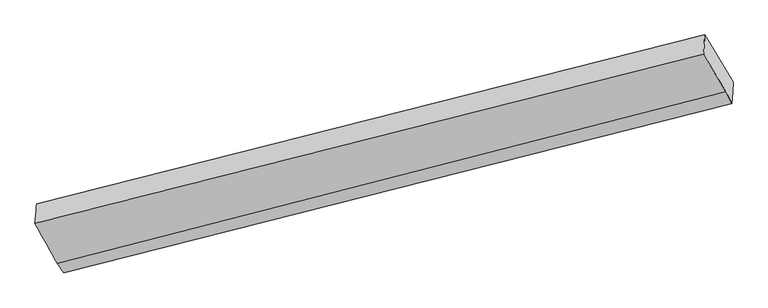
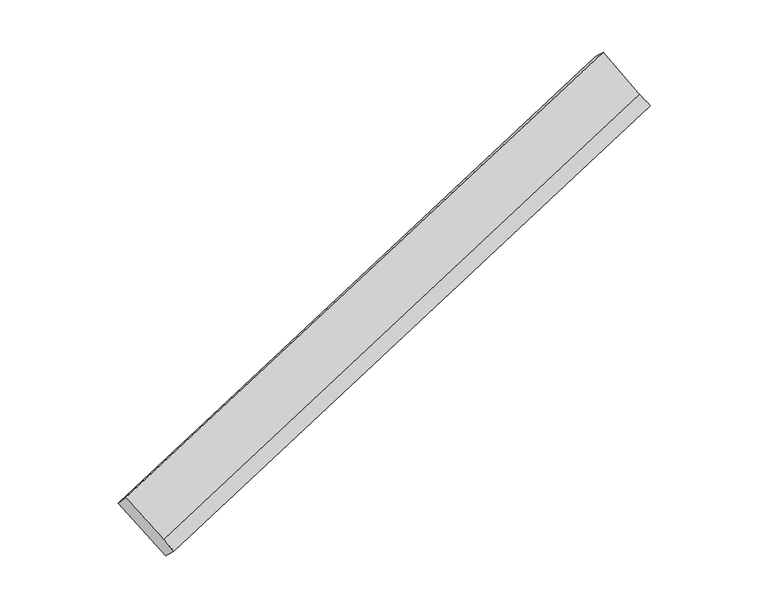
"""IFC4 building model written with IfcOpenShell, lengths in millimetres: proxy geometry."""

import ifcopenshell
import ifcopenshell.guid

model = None  # the IFC model being written
_history = None  # IfcOwnerHistory: only IFC2X3 demands one
_inside = {}  # id of a spatial element -> (the spatial element, [elements in it])
_under = {}  # id of a project, library or spatial element -> (it, [spatial elements below it])
_declared = {}  # id of a project -> (the project, [libraries it declares])
_typed = {}  # id of a type object -> (the type object, [elements of that type])
_made_of = {}  # id of a material, layer set ... -> (it, [elements and type objects made of it])


def new_model(schema):
    """Start an empty IFC model of exactly this schema.

    Asked for "IFC4X3", IfcOpenShell would pick the latest addendum, in which some entities
    have other attributes; the version numbers below select the first issue.
    IFC2X3 requires an IfcOwnerHistory on every rooted entity: one is made here for all.
    """
    global model, _history
    if schema == "IFC4X3":
        model = ifcopenshell.file(schema_version=(4, 3, 0, 0))
    else:
        model = ifcopenshell.file(schema=schema)
    _inside.clear()
    _under.clear()
    _declared.clear()
    _typed.clear()
    _made_of.clear()
    _history = None
    if model.schema == "IFC2X3":
        org = make("IfcOrganization", Name="unknown")
        user = make(
            "IfcPersonAndOrganization",
            ThePerson=make("IfcPerson", FamilyName="unknown"),
            TheOrganization=org,
        )
        app = make(
            "IfcApplication",
            ApplicationDeveloper=org,
            Version="unknown",
            ApplicationFullName="unknown",
            ApplicationIdentifier="unknown",
        )
        _history = make(
            "IfcOwnerHistory",
            OwningUser=user,
            OwningApplication=app,
            ChangeAction="ADDED",
            CreationDate=0,
        )
    return model


def make(cls, **values):
    """One entity of the class cls with the attributes given. An attribute that is None is left unset."""
    return model.create_entity(
        cls, **{name: value for name, value in values.items() if value is not None}
    )


def rooted(cls, **values):
    """An entity with a GlobalId (a new one), such as an element, a storey or a relation."""
    return make(cls, GlobalId=ifcopenshell.guid.new(), OwnerHistory=_history, **values)


def si_unit(unit_type, name, prefix=None):
    """IfcSIUnit, for example si_unit("LENGTHUNIT", "METRE", prefix="MILLI")."""
    return make("IfcSIUnit", UnitType=unit_type, Prefix=prefix, Name=name)


def assignment(units):
    """IfcUnitAssignment: the units of a project."""
    return None if units is None else make("IfcUnitAssignment", Units=units)


def point(xyz):
    """IfcCartesianPoint."""
    return None if xyz is None else make("IfcCartesianPoint", Coordinates=xyz)


def direction(xyz):
    """IfcDirection."""
    return None if xyz is None else make("IfcDirection", DirectionRatios=xyz)


def frame(location, z_axis=None, x_axis=None):
    """IfcAxis2Placement3D, a coordinate frame: its origin and axes. An axis left out is left unset."""
    return make(
        "IfcAxis2Placement3D",
        Location=point(location),
        Axis=direction(z_axis),
        RefDirection=direction(x_axis),
    )


def origin():
    """The frame at (0, 0, 0) with its axes left unset."""
    return frame((0.0, 0.0, 0.0))


def place(relative_to, where):
    """IfcLocalPlacement: puts the frame where relative to a parent placement (None: the world)."""
    return make(
        "IfcLocalPlacement", PlacementRelTo=relative_to, RelativePlacement=where
    )


def context(
    kind, dimensions, precision=None, world=None, true_north=None, identifier=None
):
    """IfcGeometricRepresentationContext, for example the 3D "Model" context."""
    return make(
        "IfcGeometricRepresentationContext",
        ContextIdentifier=identifier,
        ContextType=kind,
        CoordinateSpaceDimension=dimensions,
        Precision=precision,
        WorldCoordinateSystem=world,
        TrueNorth=true_north,
    )


def project(units=None, contexts=None):
    """IfcProject with its units and contexts."""
    return rooted(
        "IfcProject",
        Name="project",
        RepresentationContexts=contexts,
        UnitsInContext=assignment(units),
    )


def spatial(cls, under=None, at=None, **own):
    """A site, building, storey or space (cls), placed at a placement, below another one or the project."""
    s = rooted(cls, ObjectPlacement=at, **own)
    if under is not None:
        _under.setdefault(under.id(), (under, []))[1].append(s)
    return s


def shape(context_of_items, identifier, shape_type, items):
    """IfcShapeRepresentation: the items that make up one representation, for example the "Body"."""
    return make(
        "IfcShapeRepresentation",
        ContextOfItems=context_of_items,
        RepresentationIdentifier=identifier,
        RepresentationType=shape_type,
        Items=items,
    )


def source(mapping_origin, context_of_items, identifier, shape_type, items):
    """IfcRepresentationMap: a shape defined once, which mapped items show again and again."""
    return make(
        "IfcRepresentationMap",
        MappingOrigin=mapping_origin,
        MappedRepresentation=shape(context_of_items, identifier, shape_type, items),
    )


def transform(
    local_origin,
    x_axis=None,
    y_axis=None,
    z_axis=None,
    scale=None,
    scale2=None,
    scale3=None,
    uniform=True,
):
    """IfcCartesianTransformationOperator3D, or its non-uniform kind. x_axis, y_axis, z_axis: its Axis1, 2, 3."""
    if uniform:
        return make(
            "IfcCartesianTransformationOperator3D",
            Axis1=direction(x_axis),
            Axis2=direction(y_axis),
            LocalOrigin=point(local_origin),
            Scale=scale,
            Axis3=direction(z_axis),
        )
    return make(
        "IfcCartesianTransformationOperator3DnonUniform",
        Axis1=direction(x_axis),
        Axis2=direction(y_axis),
        LocalOrigin=point(local_origin),
        Scale=scale,
        Axis3=direction(z_axis),
        Scale2=scale2,
        Scale3=scale3,
    )


def mapped(mapping_source, mapping_target):
    """IfcMappedItem: shows the shape of a source again, moved by a transform."""
    return make(
        "IfcMappedItem", MappingSource=mapping_source, MappingTarget=mapping_target
    )


def made_of(thing, what):
    """Note that an element or type object is made of a material, layer set ...; save() writes the relation."""
    if what is not None:
        _made_of.setdefault(what.id(), (what, []))[1].append(thing)
    return thing


def element(
    cls,
    number,
    at=None,
    inside=None,
    cuts=None,
    type_object=None,
    material=None,
    context=None,
    identifier="Body",
    shape_type=None,
    held_by="IfcProductDefinitionShape",
    body=None,
    shapes=None,
    **own,
):
    """One element of the class cls, such as IfcWall. Its Tag is "e" and its number.

    at: its placement. inside: the storey or other place that contains it. cuts: it is an
    opening in that element (IfcRelVoidsElement). A single representation is given by context,
    identifier, shape_type and body (its items); several are given by shapes. held_by: the class
    of the entity that holds the representations. save() writes the other relations.
    """
    e = rooted(cls, Tag="e%d" % number, ObjectPlacement=at, **own)
    if body is not None:
        shapes = [shape(context, identifier, shape_type, body)]
    if shapes is not None:
        e.Representation = make(held_by, Representations=shapes)
    if inside is not None:
        _inside.setdefault(inside.id(), (inside, []))[1].append(e)
    if cuts is not None:
        rooted(
            "IfcRelVoidsElement", RelatingBuildingElement=cuts, RelatedOpeningElement=e
        )
    if type_object is not None:
        _typed.setdefault(type_object.id(), (type_object, []))[1].append(e)
    return made_of(e, material)


def aggregate(whole, parts):
    """IfcRelAggregates: a whole, such as a stair, and the parts it consists of."""
    return rooted("IfcRelAggregates", RelatingObject=whole, RelatedObjects=parts)


def save(model, path):
    """Write the relations noted so far, then the file.

    IfcRelAggregates (storeys below a building ...), IfcRelContainedInSpatialStructure (elements
    in a storey), IfcRelDefinesByType, IfcRelAssociatesMaterial and IfcRelDeclares: one each for
    every whole, place, type object, material and project.
    """
    for whole, parts in _under.values():
        aggregate(whole, parts)
    for where, things in _inside.values():
        rooted(
            "IfcRelContainedInSpatialStructure",
            RelatedElements=things,
            RelatingStructure=where,
        )
    for kind, things in _typed.values():
        rooted("IfcRelDefinesByType", RelatedObjects=things, RelatingType=kind)
    for what, things in _made_of.values():
        rooted("IfcRelAssociatesMaterial", RelatedObjects=things, RelatingMaterial=what)
    for by, libraries in _declared.values():
        rooted("IfcRelDeclares", RelatingContext=by, RelatedDefinitions=libraries)
    model.write(path)


def plane_surface(at):
    """IfcPlane: the flat surface through the origin of the frame at, square to its z axis."""
    return make("IfcPlane", Position=at)


def spline_surface(u_degree, v_degree, points, u_multiplicities, v_multiplicities, u_knots, v_knots, weights=None):
    """IfcBSplineSurfaceWithKnots; with weights, IfcRationalBSplineSurfaceWithKnots. points: one row for each step in u."""
    own = dict(
        UDegree=u_degree,
        VDegree=v_degree,
        ControlPointsList=[[point(p) for p in row] for row in points],
        SurfaceForm="UNSPECIFIED",
        UClosed=False,
        VClosed=False,
        SelfIntersect=False,
        UMultiplicities=u_multiplicities,
        VMultiplicities=v_multiplicities,
        UKnots=u_knots,
        VKnots=v_knots,
        KnotSpec="UNSPECIFIED",
    )
    if weights is None:
        return make("IfcBSplineSurfaceWithKnots", **own)
    return make("IfcRationalBSplineSurfaceWithKnots", WeightsData=weights, **own)


def advanced_brep(points, edges, surfaces, faces):
    """IfcAdvancedBrep: a solid bounded by faces that lie on surfaces and meet in shared edges.

    An edge is (start, end): straight between two places in points (the first is 0);
    or (start, end, curve); or (start, end, curve, False) where it runs against its curve.
    A face is (place in surfaces, loops), or (place, loops, False) where it looks against
    its surface's normal. A loop lists edges by number (the first is 1), with a minus sign
    where the edge is run from its end to its start. The first loop is the outer one.
    """
    corners = [point(p) for p in points]
    vertices = [make("IfcVertexPoint", VertexGeometry=c) for c in corners]
    made = []
    for start, end, *more in edges:
        made.append(
            make(
                "IfcEdgeCurve",
                EdgeStart=vertices[start],
                EdgeEnd=vertices[end],
                EdgeGeometry=more[0] if more else make("IfcPolyline", Points=[corners[start], corners[end]]),
                SameSense=more[1] if len(more) > 1 else True,
            )
        )
    hull = []
    for where, loops, *sense in faces:
        bounds = []
        for j, loop in enumerate(loops):
            ring = [make("IfcOrientedEdge", EdgeElement=made[abs(k) - 1], Orientation=k > 0) for k in loop]
            bounds.append(
                make(
                    "IfcFaceOuterBound" if j == 0 else "IfcFaceBound",
                    Bound=make("IfcEdgeLoop", EdgeList=ring),
                    Orientation=True,
                )
            )
        hull.append(make("IfcAdvancedFace", Bounds=bounds, FaceSurface=surfaces[where], SameSense=sense[0] if sense else True))
    return make("IfcAdvancedBrep", Outer=make("IfcClosedShell", CfsFaces=hull))


def generic_models_152db1ab(model_context):
    return source(origin(), model_context, "Body", "AdvancedBrep", [
        advanced_brep(
        [(-5203.2940837, -2264.7503106, 929.7700616), (-5199.4953253, -2202.8793085, 871.877149), (-329.0836076, -951.1676758, 2509.9605274), (-333.3003069, -1020.6529575, 2575.006774), (-5403.2179298, -1838.4523102, 1208.1361184), (-535.1727036, -604.6466558, 2866.7696617), (-5416.3008029, -1980.3739532, 1354.0201121), (-543.8022278, -746.8490929, 2999.8875618), (-5254.1483842, -2270.4385702, 1086.3757563), (-382.6626054, -1017.7914541, 2720.9009959), (-5207.9094774, -2339.9219843, 1000.1084591), (-338.3995712, -1104.6816703, 2653.6673514)],
        [
            (0, 1),
            (1, 2),
            (2, 3),
            (3, 0),
            (1, 4),
            (4, 5),
            (5, 2),
            (4, 6),
            (6, 7),
            (7, 5),
            (6, 8),
            (8, 9),
            (9, 7),
            (8, 10),
            (10, 11),
            (11, 9),
            (10, 0),
            (3, 11),
        ],
        [
            spline_surface(1, 1, [[(-5203.2940837, -2264.7503106, 929.7700616), (-333.3003069, -1020.6529575, 2575.006774)], [(-5199.4953253, -2202.8793085, 871.877149), (-329.0836076, -951.1676758, 2509.9605274)]], [2, 2], [2, 2], [0.0, 1.0], [0.0, 1.0]),
            spline_surface(1, 1, [[(-5199.4953253, -2202.8793085, 871.877149), (-329.0836076, -951.1676758, 2509.9605274)], [(-5403.2179298, -1838.4523102, 1208.1361184), (-535.1727036, -604.6466558, 2866.7696617)]], [2, 2], [2, 2], [0.0, 1.0], [0.0, 1.0]),
            spline_surface(1, 1, [[(-5403.2179298, -1838.4523102, 1208.1361184), (-535.1727036, -604.6466558, 2866.7696617)], [(-5416.3008029, -1980.3739532, 1354.0201121), (-543.8022278, -746.8490929, 2999.8875618)]], [2, 2], [2, 2], [0.0, 1.0], [0.0, 1.0]),
            spline_surface(1, 1, [[(-5416.3008029, -1980.3739532, 1354.0201121), (-543.8022278, -746.8490929, 2999.8875618)], [(-5254.1483842, -2270.4385702, 1086.3757563), (-382.6626054, -1017.7914541, 2720.9009959)]], [2, 2], [2, 2], [0.0, 1.0], [0.0, 1.0]),
            spline_surface(1, 1, [[(-5254.1483842, -2270.4385702, 1086.3757563), (-382.6626054, -1017.7914541, 2720.9009959)], [(-5207.9094774, -2339.9219843, 1000.1084591), (-338.3995712, -1104.6816703, 2653.6673514)]], [2, 2], [2, 2], [0.0, 1.0], [0.0, 1.0]),
            spline_surface(1, 1, [[(-5207.9094774, -2339.9219843, 1000.1084591), (-338.3995712, -1104.6816703, 2653.6673514)], [(-5203.2940837, -2264.7503106, 929.7700616), (-333.3003069, -1020.6529575, 2575.006774)]], [2, 2], [2, 2], [0.0, 1.0], [0.0, 1.0]),
            plane_surface(frame((-425.8241431, -885.0273098, 2750.2372196), z_axis=(0.9227751202401032, 0.23201063059130766, 0.3076640127777165), x_axis=(0.37369755606092536, -0.7335841749382364, -0.5676305091115862))),
            plane_surface(frame((-5296.2143839, -2126.4132253, 1104.103519), z_axis=(-0.9227496275357457, -0.23159300116478482, -0.30805487610835003), x_axis=(-0.04478733641094194, -0.7294586889954868, 0.6825570419724631))),
        ],
        [
            (0, [[1, 2, 3, 4]]),
            (1, [[5, 6, 7, -2]]),
            (2, [[8, 9, 10, -6]]),
            (3, [[11, 12, 13, -9]]),
            (4, [[14, 15, 16, -12]]),
            (5, [[17, -4, 18, -15]]),
            (6, [[-16, -18, -3, -7, -10, -13]]),
            (7, [[-17, -14, -11, -8, -5, -1]]),
        ],
    ),
    ])


if __name__ == "__main__":
    model = new_model("IFC4")
    model_context = context("Model", 3, world=origin())
    ifc_project = project(units=[si_unit("LENGTHUNIT", "METRE", prefix="MILLI")], contexts=[model_context])
    site = spatial("IfcSite", under=ifc_project)
    building = spatial("IfcBuilding", under=site)
    placement = place(None, origin())
    generic_models_shape = generic_models_152db1ab(model_context)
    element("IfcBuildingElementProxy", 1, Name="Generic Models", at=placement, inside=building, context=model_context, shape_type="MappedRepresentation", body=[
        mapped(generic_models_shape, transform((0.0, 0.0, 0.0), x_axis=(1.0, 0.0, 0.0), y_axis=(0.0, 1.0, 0.0), z_axis=(0.0, 0.0, 1.0))),
    ])
    save(model, "model.ifc")
